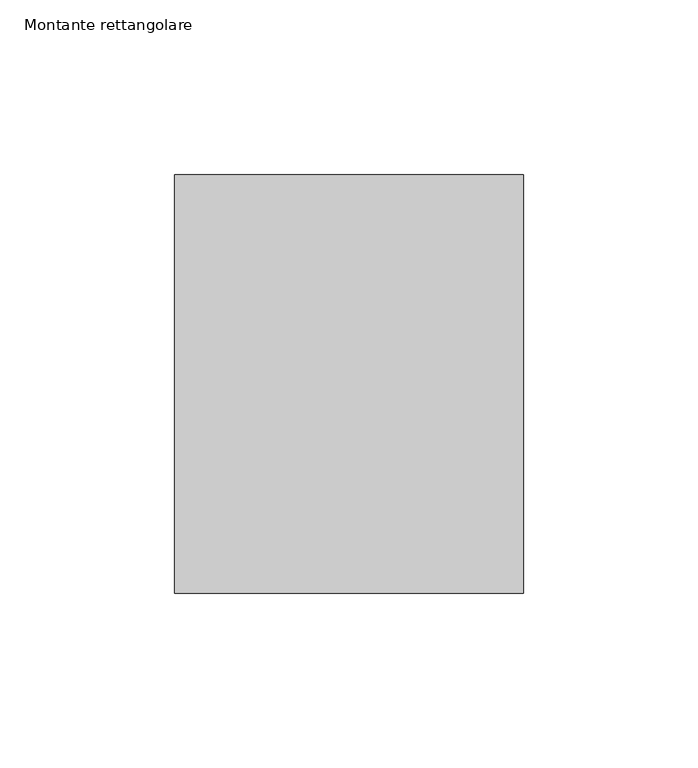
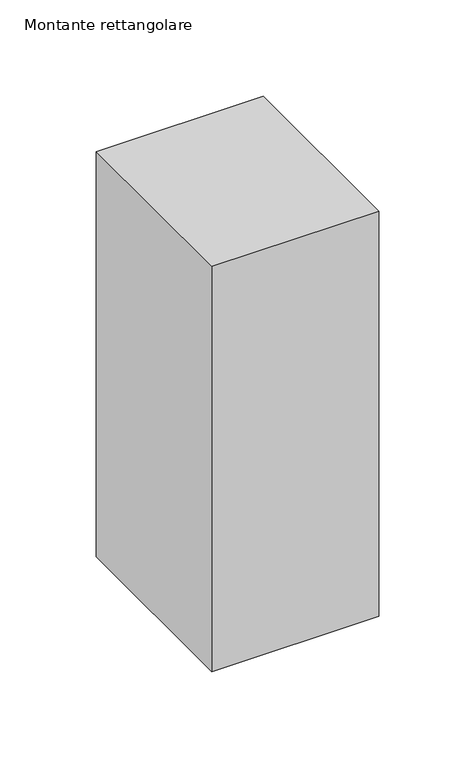
"""IFC4 building model written with IfcOpenShell, lengths in millimetres: member geometry, Montante rettangolare."""

import ifcopenshell
import ifcopenshell.guid

model = None  # the IFC model being written
_history = None  # IfcOwnerHistory: only IFC2X3 demands one
_inside = {}  # id of a spatial element -> (the spatial element, [elements in it])
_under = {}  # id of a project, library or spatial element -> (it, [spatial elements below it])
_declared = {}  # id of a project -> (the project, [libraries it declares])
_typed = {}  # id of a type object -> (the type object, [elements of that type])
_made_of = {}  # id of a material, layer set ... -> (it, [elements and type objects made of it])


def new_model(schema):
    """Start an empty IFC model of exactly this schema.

    Asked for "IFC4X3", IfcOpenShell would pick the latest addendum, in which some entities
    have other attributes; the version numbers below select the first issue.
    IFC2X3 requires an IfcOwnerHistory on every rooted entity: one is made here for all.
    """
    global model, _history
    if schema == "IFC4X3":
        model = ifcopenshell.file(schema_version=(4, 3, 0, 0))
    else:
        model = ifcopenshell.file(schema=schema)
    _inside.clear()
    _under.clear()
    _declared.clear()
    _typed.clear()
    _made_of.clear()
    _history = None
    if model.schema == "IFC2X3":
        org = make("IfcOrganization", Name="unknown")
        user = make(
            "IfcPersonAndOrganization",
            ThePerson=make("IfcPerson", FamilyName="unknown"),
            TheOrganization=org,
        )
        app = make(
            "IfcApplication",
            ApplicationDeveloper=org,
            Version="unknown",
            ApplicationFullName="unknown",
            ApplicationIdentifier="unknown",
        )
        _history = make(
            "IfcOwnerHistory",
            OwningUser=user,
            OwningApplication=app,
            ChangeAction="ADDED",
            CreationDate=0,
        )
    return model


def make(cls, **values):
    """One entity of the class cls with the attributes given. An attribute that is None is left unset."""
    return model.create_entity(
        cls, **{name: value for name, value in values.items() if value is not None}
    )


def rooted(cls, **values):
    """An entity with a GlobalId (a new one), such as an element, a storey or a relation."""
    return make(cls, GlobalId=ifcopenshell.guid.new(), OwnerHistory=_history, **values)


def si_unit(unit_type, name, prefix=None):
    """IfcSIUnit, for example si_unit("LENGTHUNIT", "METRE", prefix="MILLI")."""
    return make("IfcSIUnit", UnitType=unit_type, Prefix=prefix, Name=name)


def assignment(units):
    """IfcUnitAssignment: the units of a project."""
    return None if units is None else make("IfcUnitAssignment", Units=units)


def point(xyz):
    """IfcCartesianPoint."""
    return None if xyz is None else make("IfcCartesianPoint", Coordinates=xyz)


def direction(xyz):
    """IfcDirection."""
    return None if xyz is None else make("IfcDirection", DirectionRatios=xyz)


def frame(location, z_axis=None, x_axis=None):
    """IfcAxis2Placement3D, a coordinate frame: its origin and axes. An axis left out is left unset."""
    return make(
        "IfcAxis2Placement3D",
        Location=point(location),
        Axis=direction(z_axis),
        RefDirection=direction(x_axis),
    )


def origin():
    """The frame at (0, 0, 0) with its axes left unset."""
    return frame((0.0, 0.0, 0.0))


def place(relative_to, where):
    """IfcLocalPlacement: puts the frame where relative to a parent placement (None: the world)."""
    return make(
        "IfcLocalPlacement", PlacementRelTo=relative_to, RelativePlacement=where
    )


def context(
    kind, dimensions, precision=None, world=None, true_north=None, identifier=None
):
    """IfcGeometricRepresentationContext, for example the 3D "Model" context."""
    return make(
        "IfcGeometricRepresentationContext",
        ContextIdentifier=identifier,
        ContextType=kind,
        CoordinateSpaceDimension=dimensions,
        Precision=precision,
        WorldCoordinateSystem=world,
        TrueNorth=true_north,
    )


def project(units=None, contexts=None):
    """IfcProject with its units and contexts."""
    return rooted(
        "IfcProject",
        Name="project",
        RepresentationContexts=contexts,
        UnitsInContext=assignment(units),
    )


def spatial(cls, under=None, at=None, **own):
    """A site, building, storey or space (cls), placed at a placement, below another one or the project."""
    s = rooted(cls, ObjectPlacement=at, **own)
    if under is not None:
        _under.setdefault(under.id(), (under, []))[1].append(s)
    return s


def polyline(points):
    """IfcPolyline through the points."""
    return make("IfcPolyline", Points=[point(p) for p in points])


def outline(outer, holes=None, kind="AREA"):
    """IfcArbitraryClosedProfileDef: a profile drawn as a closed curve; with holes, ...WithVoids."""
    if holes is None:
        return make("IfcArbitraryClosedProfileDef", ProfileType=kind, OuterCurve=outer)
    return make(
        "IfcArbitraryProfileDefWithVoids",
        ProfileType=kind,
        OuterCurve=outer,
        InnerCurves=holes,
    )


def extrude(swept, where, along, depth):
    """IfcExtrudedAreaSolid: the profile swept, set in the frame where, extruded along a direction by depth."""
    return make(
        "IfcExtrudedAreaSolid",
        SweptArea=swept,
        Position=where,
        ExtrudedDirection=direction(along),
        Depth=depth,
    )


def shape(context_of_items, identifier, shape_type, items):
    """IfcShapeRepresentation: the items that make up one representation, for example the "Body"."""
    return make(
        "IfcShapeRepresentation",
        ContextOfItems=context_of_items,
        RepresentationIdentifier=identifier,
        RepresentationType=shape_type,
        Items=items,
    )


def source(mapping_origin, context_of_items, identifier, shape_type, items):
    """IfcRepresentationMap: a shape defined once, which mapped items show again and again."""
    return make(
        "IfcRepresentationMap",
        MappingOrigin=mapping_origin,
        MappedRepresentation=shape(context_of_items, identifier, shape_type, items),
    )


def transform(
    local_origin,
    x_axis=None,
    y_axis=None,
    z_axis=None,
    scale=None,
    scale2=None,
    scale3=None,
    uniform=True,
):
    """IfcCartesianTransformationOperator3D, or its non-uniform kind. x_axis, y_axis, z_axis: its Axis1, 2, 3."""
    if uniform:
        return make(
            "IfcCartesianTransformationOperator3D",
            Axis1=direction(x_axis),
            Axis2=direction(y_axis),
            LocalOrigin=point(local_origin),
            Scale=scale,
            Axis3=direction(z_axis),
        )
    return make(
        "IfcCartesianTransformationOperator3DnonUniform",
        Axis1=direction(x_axis),
        Axis2=direction(y_axis),
        LocalOrigin=point(local_origin),
        Scale=scale,
        Axis3=direction(z_axis),
        Scale2=scale2,
        Scale3=scale3,
    )


def mapped(mapping_source, mapping_target):
    """IfcMappedItem: shows the shape of a source again, moved by a transform."""
    return make(
        "IfcMappedItem", MappingSource=mapping_source, MappingTarget=mapping_target
    )


def made_of(thing, what):
    """Note that an element or type object is made of a material, layer set ...; save() writes the relation."""
    if what is not None:
        _made_of.setdefault(what.id(), (what, []))[1].append(thing)
    return thing


def element(
    cls,
    number,
    at=None,
    inside=None,
    cuts=None,
    type_object=None,
    material=None,
    context=None,
    identifier="Body",
    shape_type=None,
    held_by="IfcProductDefinitionShape",
    body=None,
    shapes=None,
    **own,
):
    """One element of the class cls, such as IfcWall. Its Tag is "e" and its number.

    at: its placement. inside: the storey or other place that contains it. cuts: it is an
    opening in that element (IfcRelVoidsElement). A single representation is given by context,
    identifier, shape_type and body (its items); several are given by shapes. held_by: the class
    of the entity that holds the representations. save() writes the other relations.
    """
    e = rooted(cls, Tag="e%d" % number, ObjectPlacement=at, **own)
    if body is not None:
        shapes = [shape(context, identifier, shape_type, body)]
    if shapes is not None:
        e.Representation = make(held_by, Representations=shapes)
    if inside is not None:
        _inside.setdefault(inside.id(), (inside, []))[1].append(e)
    if cuts is not None:
        rooted(
            "IfcRelVoidsElement", RelatingBuildingElement=cuts, RelatedOpeningElement=e
        )
    if type_object is not None:
        _typed.setdefault(type_object.id(), (type_object, []))[1].append(e)
    return made_of(e, material)


def aggregate(whole, parts):
    """IfcRelAggregates: a whole, such as a stair, and the parts it consists of."""
    return rooted("IfcRelAggregates", RelatingObject=whole, RelatedObjects=parts)


def save(model, path):
    """Write the relations noted so far, then the file.

    IfcRelAggregates (storeys below a building ...), IfcRelContainedInSpatialStructure (elements
    in a storey), IfcRelDefinesByType, IfcRelAssociatesMaterial and IfcRelDeclares: one each for
    every whole, place, type object, material and project.
    """
    for whole, parts in _under.values():
        aggregate(whole, parts)
    for where, things in _inside.values():
        rooted(
            "IfcRelContainedInSpatialStructure",
            RelatedElements=things,
            RelatingStructure=where,
        )
    for kind, things in _typed.values():
        rooted("IfcRelDefinesByType", RelatedObjects=things, RelatingType=kind)
    for what, things in _made_of.values():
        rooted("IfcRelAssociatesMaterial", RelatedObjects=things, RelatingMaterial=what)
    for by, libraries in _declared.values():
        rooted("IfcRelDeclares", RelatingContext=by, RelatedDefinitions=libraries)
    model.write(path)


def montante_rettangolare_bf7f8932(model_context):
    return source(origin(), model_context, "Body", "SweptSolid", [
        extrude(outline(polyline([(50.0, 60.0), (50.0, -60.0), (-50.0, -60.0), (-50.0, 60.0), (50.0, 60.0)])), frame((0.0, 0.0, -256.9265347), z_axis=(0.0, 0.0, 1.0), x_axis=(1.0, 0.0, 0.0)), (0.0, 0.0, 1.0), 256.9265347),
    ])


if __name__ == "__main__":
    model = new_model("IFC4")
    model_context = context("Model", 3, world=origin())
    ifc_project = project(units=[si_unit("LENGTHUNIT", "METRE", prefix="MILLI")], contexts=[model_context])
    site = spatial("IfcSite", under=ifc_project)
    building = spatial("IfcBuilding", under=site)
    placement = place(None, origin())
    montante_rettangolare_shape = montante_rettangolare_bf7f8932(model_context)
    element("IfcMember", 1, ObjectType="Montante rettangolare", at=placement, inside=building, context=model_context, shape_type="MappedRepresentation", body=[
        mapped(montante_rettangolare_shape, transform((0.0, 0.0, 0.0), x_axis=(1.0, 0.0, 0.0), y_axis=(0.0, 1.0, 0.0), z_axis=(0.0, 0.0, 1.0))),
    ])
    save(model, "model.ifc")
